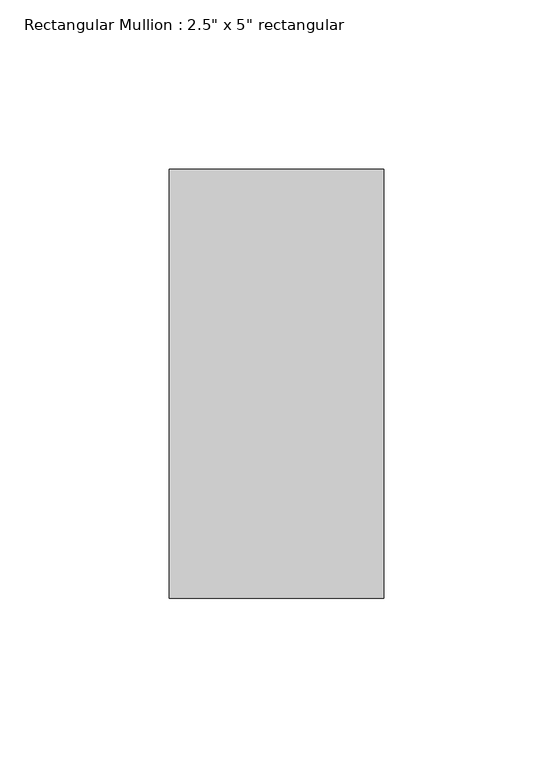
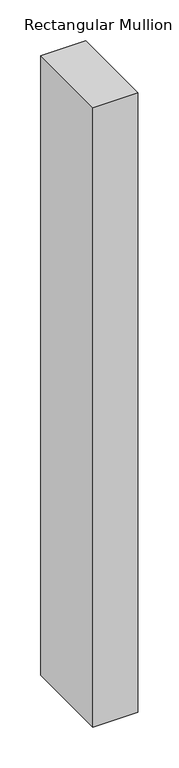
"""IFC4 building model written with IfcOpenShell, lengths in millimetres: member geometry."""

from ifc_helpers import new_model, si_unit, frame, origin, place, context, project, spatial, polyline, outline, extrude, source, transform, mapped, element, save


def member_25ddb678(model_context):
    return source(origin(), model_context, "Body", "SweptSolid", [
        extrude(outline(polyline([(0.0, 63.5), (0.0, -63.5), (-63.5, -63.5), (-63.5, 63.5), (0.0, 63.5)])), frame((0.0, 0.0, -923.4004644), z_axis=(0.0, 0.0, 1.0), x_axis=(1.0, 0.0, 0.0)), (0.0, 0.0, 1.0), 923.4004644),
    ])


if __name__ == "__main__":
    model = new_model("IFC4")
    model_context = context("Model", 3, world=origin())
    ifc_project = project(units=[si_unit("LENGTHUNIT", "METRE", prefix="MILLI")], contexts=[model_context])
    site = spatial("IfcSite", under=ifc_project)
    building = spatial("IfcBuilding", under=site)
    placement = place(None, origin())
    member_shape = member_25ddb678(model_context)
    element("IfcMember", 1, ObjectType="Rectangular Mullion : 2.5\" x 5\" rectangular", at=placement, inside=building, context=model_context, shape_type="MappedRepresentation", body=[
        mapped(member_shape, transform((0.0, 0.0, 0.0), x_axis=(1.0, 0.0, 0.0), y_axis=(0.0, 1.0, 0.0), z_axis=(0.0, 0.0, 1.0))),
    ])
    save(model, "model.ifc")
